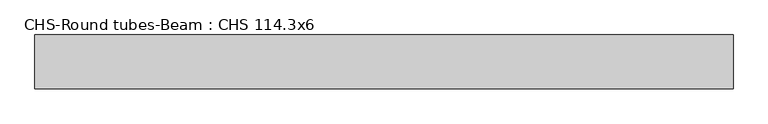
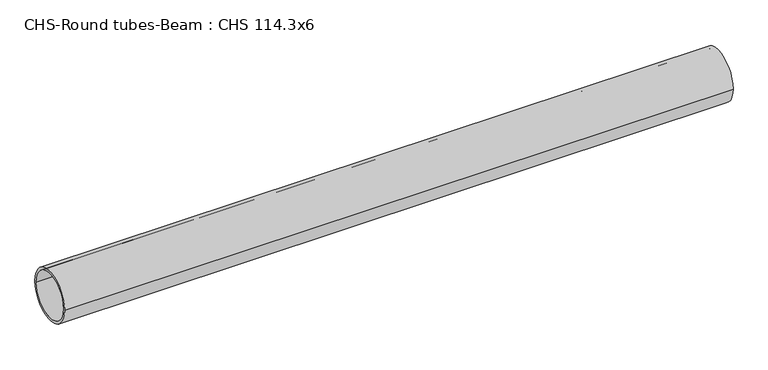
"""IFC4 building model written with IfcOpenShell, lengths in millimetres: beam geometry, CHS-Round tubes-Beam : CHS 114.3x6."""

from ifc_helpers import new_model, si_unit, point, frame, origin, origin_2d, place, context, project, spatial, circle_curve, trimmed, segment, composite_curve, outline, extrude, source, transform, mapped, element, save


def chs_round_tubes_beam_chs_114_3x6_ccca6c1e(model_context):
    return source(origin(), model_context, "Body", "SweptSolid", [
        extrude(outline(composite_curve([segment(trimmed(circle_curve(origin_2d(), 57.15), [point((57.15, 0.0))], [point((-57.15, 0.0))], False, "CARTESIAN"), True, "CONTINUOUS"), segment(trimmed(circle_curve(origin_2d(), 57.15), [point((-57.15, 0.0))], [point((57.15, 0.0))], False, "CARTESIAN"), True, "CONTINUOUS")], self_intersect=False), holes=[composite_curve([segment(trimmed(circle_curve(origin_2d(), 51.15), [point((51.15, 0.0))], [point((-51.15, 0.0))], True, "CARTESIAN"), True, "CONTINUOUS"), segment(trimmed(circle_curve(origin_2d(), 51.15), [point((-51.15, 0.0))], [point((51.15, 0.0))], True, "CARTESIAN"), True, "CONTINUOUS")], self_intersect=False)]), frame((-759.6181277, 0.0, 0.0), z_axis=(1.0, 0.0, 0.0), x_axis=(0.0, 1.0, 0.0)), (0.0, 0.0, 1.0), 1477.695097),
    ])


if __name__ == "__main__":
    model = new_model("IFC4")
    model_context = context("Model", 3, world=origin())
    ifc_project = project(units=[si_unit("LENGTHUNIT", "METRE", prefix="MILLI")], contexts=[model_context])
    site = spatial("IfcSite", under=ifc_project)
    building = spatial("IfcBuilding", under=site)
    placement = place(None, origin())
    chs_round_tubes_beam_chs_114_3x6_shape = chs_round_tubes_beam_chs_114_3x6_ccca6c1e(model_context)
    element("IfcBeam", 1, ObjectType="CHS-Round tubes-Beam : CHS 114.3x6", at=placement, inside=building, context=model_context, shape_type="MappedRepresentation", body=[
        mapped(chs_round_tubes_beam_chs_114_3x6_shape, transform((0.0, 0.0, 0.0), x_axis=(1.0, 0.0, 0.0), y_axis=(0.0, 1.0, 0.0), z_axis=(0.0, 0.0, 1.0))),
    ])
    save(model, "model.ifc")
